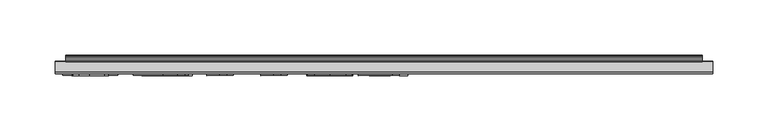
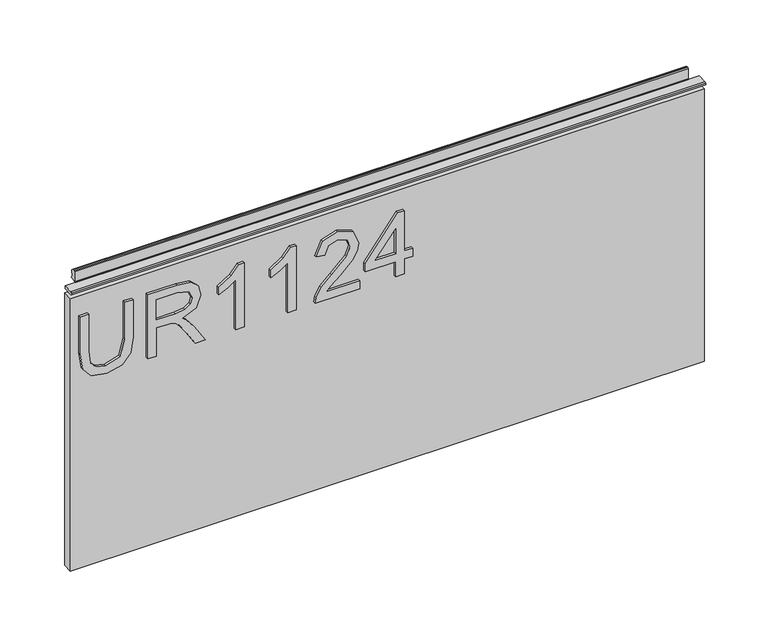
"""IFC4 building model written with IfcOpenShell, lengths in millimetres: furniture geometry."""

from ifc_helpers import new_model, si_unit, frame, origin, place, context, project, spatial, polyline, outline, extrude, source, transform, mapped, element, save


def furniture_069b3729(model_context):
    return source(origin(), model_context, "Body", "SweptSolid", [
        extrude(outline(polyline([(1116.7975569, -249.406548), (1080.2772981, -249.406548), (1064.1741222, -253.4401289), (1059.9848047, -266.9425017), (1062.1028239, -276.3178517), (1068.1220478, -281.7219156), (1080.2772981, -283.2948564), (1116.7975569, -283.2948564), (1116.7975569, -291.268576), (1079.9969721, -291.268576), (1064.0261723, -288.8468702), (1055.0946719, -280.7641349), (1052.011085, -266.1949655), (1055.5540952, -251.3999779), (1064.7425612, -243.5975687), (1079.9969721, -241.4328284), (1116.7975569, -241.4328284), (1116.7975569, -249.406548)])), frame((0.0, -6.7767932, 0.0), z_axis=(0.0, 1.0, 0.0), x_axis=(0.0, 0.0, 1.0)), (0.0, 0.0, 1.0), 2.38125),
        extrude(outline(polyline([(1053.0078, -227.4788191), (1053.0078, -219.5050995), (1080.9158187, -219.5050995), (1080.9158187, -209.8805707), (1080.6354926, -205.2551904), (1079.1170596, -201.4630015), (1074.98225, -197.2503234), (1066.2298468, -191.25446), (1053.0078, -182.9536933), (1053.0078, -173.687359), (1070.294575, -184.3241764), (1078.5018996, -190.7872499), (1081.9125336, -195.3191882), (1087.8461023, -181.9647652), (1099.3394716, -177.6430715), (1108.9873609, -180.2516614), (1115.0766663, -187.2286661), (1116.7975569, -199.9912895), (1116.7975569, -227.4788191), (1053.0078, -227.4788191)]), holes=[polyline([(1088.8895383, -219.5050995), (1108.8238373, -219.5050995), (1108.8238373, -199.6486688), (1106.0672975, -188.9884909), (1099.0435719, -185.6167911), (1093.6317211, -187.3844028), (1090.0186294, -192.5548616), (1088.8895383, -201.6576724), (1088.8895383, -219.5050995)])]), frame((0.0, -6.7767932, 0.0), z_axis=(0.0, 1.0, 0.0), x_axis=(0.0, 0.0, 1.0)), (0.0, 0.0, 1.0), 2.38125),
        extrude(outline(polyline([(1053.0078, -136.7777584), (1116.7975569, -136.7777584), (1116.7975569, -141.9170699), (1108.3099062, -149.0108771), (1100.8501177, -160.6989173), (1093.3124609, -160.6989173), (1097.3382549, -152.3047085), (1102.7189582, -144.751478), (1053.0078, -144.751478), (1053.0078, -136.7777584)])), frame((0.0, -6.7767932, 0.0), z_axis=(0.0, 1.0, 0.0), x_axis=(0.0, 0.0, 1.0)), (0.0, 0.0, 1.0), 2.38125),
        extrude(outline(polyline([(1053.0078, -87.9387258), (1116.7975569, -87.9387258), (1116.7975569, -93.0780372), (1108.3099062, -100.1718444), (1100.8501177, -111.8598846), (1093.3124609, -111.8598846), (1097.3382549, -103.4656759), (1102.7189582, -95.9124454), (1053.0078, -95.9124454), (1053.0078, -87.9387258)])), frame((0.0, -6.7767932, 0.0), z_axis=(0.0, 1.0, 0.0), x_axis=(0.0, 0.0, 1.0)), (0.0, 0.0, 1.0), 2.38125),
        extrude(outline(polyline([(1060.9815196, -28.1358286), (1060.9815196, -59.4544813), (1065.0384609, -55.8569632), (1072.708494, -46.6840709), (1083.6334243, -35.2607832), (1091.4514072, -30.5497477), (1099.0124245, -29.1325436), (1111.6893928, -34.3886576), (1116.7975569, -48.6619272), (1112.203324, -62.8884758), (1098.8566878, -69.0011417), (1097.8599729, -61.0274221), (1105.9115608, -57.6712959), (1108.8238373, -48.8332376), (1105.8414793, -40.3533736), (1098.5296407, -37.1062632), (1089.4969115, -40.5480445), (1076.21257, -54.3151698), (1066.9695962, -64.297893), (1058.5053059, -69.1413047), (1053.0078, -69.9978566), (1053.0078, -28.1358286), (1060.9815196, -28.1358286)])), frame((0.0, -6.7767932, 0.0), z_axis=(0.0, 1.0, 0.0), x_axis=(0.0, 0.0, 1.0)), (0.0, 0.0, 1.0), 2.38125),
        extrude(outline(polyline([(1053.0078, 5.7524797), (1053.0078, 13.7261994), (1067.9585243, 13.7261994), (1067.9585243, 21.699919), (1075.9322439, 21.699919), (1075.9322439, 13.7261994), (1115.800842, 13.7261994), (1115.800842, 7.7459096), (1075.9322439, -23.1522539), (1067.9585243, -23.1522539), (1067.9585243, 5.7524797), (1053.0078, 5.7524797)]), holes=[polyline([(1075.9322439, 5.7524797), (1075.9322439, -13.3408411), (1100.5697916, 5.7524797), (1075.9322439, 5.7524797)])]), frame((0.0, -6.7767932, 0.0), z_axis=(0.0, 1.0, 0.0), x_axis=(0.0, 0.0, 1.0)), (0.0, 0.0, 1.0), 2.38125),
        extrude(outline(polyline([(5.5562561, 1143.0), (6.3500061, 1143.0), (6.3500061, 1152.87425), (7.1437561, 1153.668), (8.6677569, 1153.668), (10.0084363, 1153.2506926), (10.875413, 1152.1461816), (10.9623604, 1150.7447591), (10.2390011, 1147.7863459), (10.4046103, 1146.5833307), (11.6746103, 1144.3836103), (10.7786383, 1143.8663244), (7.1437561, 1143.8663244), (7.1437561, 1143.0), (6.3500061, 1142.7669239), (6.3500061, 1135.5578), (5.5562561, 1135.5578), (5.5562561, 1143.0)])), frame((-288.671, 0.0, 0.0), z_axis=(1.0, 0.0, 0.0), x_axis=(0.0, 1.0, 0.0)), (0.0, 0.0, 1.0), 577.342),
        extrude(outline(polyline([(5.5562561, 1143.0), (5.5562561, 1139.8249996), (-3.975094, 1139.8249996), (-5.3492339, 1140.6183657), (-5.3492339, 1142.2066395), (-3.9751037, 1143.0), (5.5562561, 1143.0)])), frame((-298.196, 0.0, 0.0), z_axis=(1.0, 0.0, 0.0), x_axis=(0.0, 1.0, 0.0)), (0.0, 0.0, 1.0), 596.392),
        extrude(outline(polyline([(298.196, 6.3500061), (298.196, -3.1749939), (-298.196, -3.1749939), (-298.196, 6.3500061), (298.196, 6.3500061)])), frame((0.0, 0.0, 864.4381927), z_axis=(0.0, 0.0, 1.0), x_axis=(1.0, 0.0, 0.0)), (0.0, 0.0, 1.0), 271.1196073),
    ])


if __name__ == "__main__":
    model = new_model("IFC4")
    model_context = context("Model", 3, world=origin())
    ifc_project = project(units=[si_unit("LENGTHUNIT", "METRE", prefix="MILLI")], contexts=[model_context])
    site = spatial("IfcSite", under=ifc_project)
    building = spatial("IfcBuilding", under=site)
    placement = place(None, origin())
    furniture_shape = furniture_069b3729(model_context)
    element("IfcFurniture", 1, at=placement, inside=building, context=model_context, shape_type="MappedRepresentation", body=[
        mapped(furniture_shape, transform((0.0, 0.0, 0.0), x_axis=(1.0, 0.0, 0.0), y_axis=(0.0, 1.0, 0.0), z_axis=(0.0, 0.0, 1.0))),
    ])
    save(model, "model.ifc")
